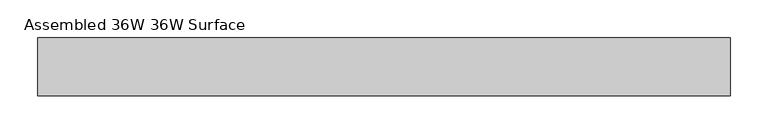
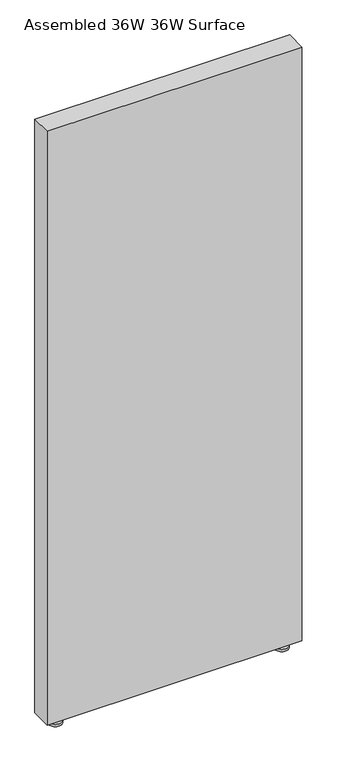
"""IFC4 building model written with IfcOpenShell, lengths in millimetres: furniture geometry, Assembled 36W 36W Surface."""

from ifc_helpers import new_model, si_unit, frame, origin, place, context, project, spatial, polyline, circle_curve, outline, extrude, source, transform, mapped, element, save
from ifc_brep_helpers import plane_surface, cylinder_surface, advanced_brep


def assembled_36w_36w_surface_5ac33c17(model_context):
    return source(origin(), model_context, "Body", "SolidModel", [
        advanced_brep(
        [(839.8500083, 50.7999992, 0.0), (887.3500159, 50.7999992, 0.0), (863.6000121, 50.7999992, 0.0), (839.8500083, 50.7999992, 8.0944096), (887.3500159, 50.7999992, 8.0944096), (858.8375121, 50.7999992, 8.0944096), (868.3625121, 50.7999992, 8.0944096), (858.8375121, 50.7999992, 30.1625008), (868.3625121, 50.7999992, 30.1625008), (863.6000121, 50.7999992, 30.1625008)],
        [
            (0, 1, circle_curve(frame((863.6000121, 50.7999992, 0.0), z_axis=(0.0, 0.0, -1.0), x_axis=(1.0, 0.0, 0.0)), 23.7500038)),
            (1, 2),
            (2, 0),
            (1, 0, circle_curve(frame((863.6000121, 50.7999992, 0.0), z_axis=(0.0, 0.0, -1.0), x_axis=(1.0, 0.0, 0.0)), 23.7500038)),
            (3, 4, circle_curve(frame((863.6000121, 50.7999992, 8.0944096), z_axis=(0.0, 0.0, -1.0), x_axis=(1.0, 0.0, 0.0)), 23.7500038)),
            (4, 1),
            (0, 3),
            (4, 3, circle_curve(frame((863.6000121, 50.7999992, 8.0944096), z_axis=(0.0, 0.0, -1.0), x_axis=(1.0, 0.0, 0.0)), 23.7500038)),
            (5, 6, circle_curve(frame((863.6000121, 50.7999992, 8.0944096), z_axis=(0.0, 0.0, -1.0), x_axis=(1.0, 0.0, 0.0)), 4.7625)),
            (6, 4),
            (3, 5),
            (6, 5, circle_curve(frame((863.6000121, 50.7999992, 8.0944096), z_axis=(0.0, 0.0, -1.0), x_axis=(1.0, 0.0, 0.0)), 4.7625)),
            (7, 8, circle_curve(frame((863.6000121, 50.7999992, 30.1625008), z_axis=(0.0, 0.0, -1.0), x_axis=(1.0, 0.0, 0.0)), 4.7625)),
            (8, 6),
            (5, 7),
            (8, 7, circle_curve(frame((863.6000121, 50.7999992, 30.1625008), z_axis=(0.0, 0.0, -1.0), x_axis=(1.0, 0.0, 0.0)), 4.7625)),
            (9, 8),
            (7, 9),
        ],
        [
            plane_surface(frame((863.6000121, 50.7999992, 0.0), z_axis=(0.0, 0.0, -1.0), x_axis=(1.0, 0.0, 0.0))),
            cylinder_surface(frame((863.6000121, 50.7999992, 30.1625008), z_axis=(0.0, 0.0, 1.0), x_axis=(1.0, 0.0, 0.0)), 23.7500038),
            plane_surface(frame((863.6000121, 50.7999992, 8.0944096), z_axis=(0.0, 0.0, 1.0), x_axis=(1.0, 0.0, 0.0))),
            cylinder_surface(frame((863.6000121, 50.7999992, 30.1625008), z_axis=(0.0, 0.0, 1.0), x_axis=(1.0, 0.0, 0.0)), 4.7625),
            plane_surface(frame((863.6000121, 50.7999992, 30.1625008), z_axis=(0.0, 0.0, 1.0), x_axis=(1.0, 0.0, 0.0))),
        ],
        [
            (0, [[1, 2, 3]]),
            (0, [[4, -3, -2]]),
            (1, [[5, 6, -1, 7]]),
            (1, [[8, -7, -4, -6]]),
            (2, [[9, 10, -5, 11]]),
            (2, [[12, -11, -8, -10]]),
            (3, [[13, 14, -9, 15]]),
            (3, [[16, -15, -12, -14]]),
            (4, [[17, -13, 18]]),
            (4, [[-18, -16, -17]]),
        ],
    ),
        advanced_brep(
        [(46.0375015, 50.7999992, 30.1625008), (55.5625015, 50.7999992, 30.1625008), (55.5625015, 50.7999992, 8.0944096), (46.0375015, 50.7999992, 8.0944096), (50.8000015, 50.7999992, 30.1625008), (26.9875015, 50.7999992, 0.0), (74.6125015, 50.7999992, 0.0), (50.8000015, 50.7999992, 0.0), (26.9875015, 50.7999992, 8.0944096), (74.6125015, 50.7999992, 8.0944096)],
        [
            (0, 1, circle_curve(frame((50.8000015, 50.7999992, 30.1625008), z_axis=(0.0, 0.0, -1.0), x_axis=(1.0, 0.0, 0.0)), 4.7625)),
            (1, 2),
            (2, 3, circle_curve(frame((50.8000015, 50.7999992, 8.0944096), z_axis=(0.0, 0.0, 1.0), x_axis=(1.0, 0.0, 0.0)), 4.7625)),
            (3, 0),
            (1, 0, circle_curve(frame((50.8000015, 50.7999992, 30.1625008), z_axis=(0.0, 0.0, -1.0), x_axis=(1.0, 0.0, 0.0)), 4.7625)),
            (3, 2, circle_curve(frame((50.8000015, 50.7999992, 8.0944096), z_axis=(0.0, 0.0, 1.0), x_axis=(1.0, 0.0, 0.0)), 4.7625)),
            (4, 1),
            (0, 4),
            (5, 6, circle_curve(frame((50.8000015, 50.7999992, 0.0), z_axis=(0.0, 0.0, -1.0), x_axis=(1.0, 0.0, 0.0)), 23.8125)),
            (6, 7),
            (7, 5),
            (6, 5, circle_curve(frame((50.8000015, 50.7999992, 0.0), z_axis=(0.0, 0.0, -1.0), x_axis=(1.0, 0.0, 0.0)), 23.8125)),
            (8, 9, circle_curve(frame((50.8000015, 50.7999992, 8.0944096), z_axis=(0.0, 0.0, -1.0), x_axis=(1.0, 0.0, 0.0)), 23.8125)),
            (9, 6),
            (5, 8),
            (9, 8, circle_curve(frame((50.8000015, 50.7999992, 8.0944096), z_axis=(0.0, 0.0, -1.0), x_axis=(1.0, 0.0, 0.0)), 23.8125)),
            (2, 9),
            (8, 3),
        ],
        [
            cylinder_surface(frame((50.8000015, 50.7999992, 30.1625008), z_axis=(0.0, 0.0, 1.0), x_axis=(1.0, 0.0, 0.0)), 4.7625),
            plane_surface(frame((50.8000015, 50.7999992, 30.1625008), z_axis=(0.0, 0.0, 1.0), x_axis=(1.0, 0.0, 0.0))),
            plane_surface(frame((50.8000015, 50.7999992, 0.0), z_axis=(0.0, 0.0, -1.0), x_axis=(1.0, 0.0, 0.0))),
            cylinder_surface(frame((50.8000015, 50.7999992, 30.1625008), z_axis=(0.0, 0.0, 1.0), x_axis=(1.0, 0.0, 0.0)), 23.8125),
            plane_surface(frame((50.8000015, 50.7999992, 8.0944096), z_axis=(0.0, 0.0, 1.0), x_axis=(1.0, 0.0, 0.0))),
        ],
        [
            (0, [[1, 2, 3, 4]]),
            (0, [[5, -4, 6, -2]]),
            (1, [[7, -1, 8]]),
            (1, [[-8, -5, -7]]),
            (2, [[9, 10, 11]]),
            (2, [[12, -11, -10]]),
            (3, [[13, 14, -9, 15]]),
            (3, [[16, -15, -12, -14]]),
            (4, [[-3, 17, -13, 18]]),
            (4, [[-6, -18, -16, -17]]),
        ],
    ),
        extrude(outline(polyline([(0.0, 12.7000004), (0.0, 88.899997), (914.4, 88.899997), (914.4, 12.7000004), (0.0, 12.7000004)])), frame((0.0, 0.0, 30.1625008), z_axis=(0.0, 0.0, 1.0), x_axis=(1.0, 0.0, 0.0)), (0.0, 0.0, 1.0), 2252.6625477),
    ])


if __name__ == "__main__":
    model = new_model("IFC4")
    model_context = context("Model", 3, world=origin())
    ifc_project = project(units=[si_unit("LENGTHUNIT", "METRE", prefix="MILLI")], contexts=[model_context])
    site = spatial("IfcSite", under=ifc_project)
    building = spatial("IfcBuilding", under=site)
    placement = place(None, origin())
    assembled_36w_36w_surface_shape = assembled_36w_36w_surface_5ac33c17(model_context)
    element("IfcFurniture", 1, ObjectType="Assembled 36W 36W Surface", at=placement, inside=building, context=model_context, shape_type="MappedRepresentation", body=[
        mapped(assembled_36w_36w_surface_shape, transform((0.0, 0.0, 0.0), x_axis=(1.0, 0.0, 0.0), y_axis=(0.0, 1.0, 0.0), z_axis=(0.0, 0.0, 1.0))),
    ])
    save(model, "model.ifc")
